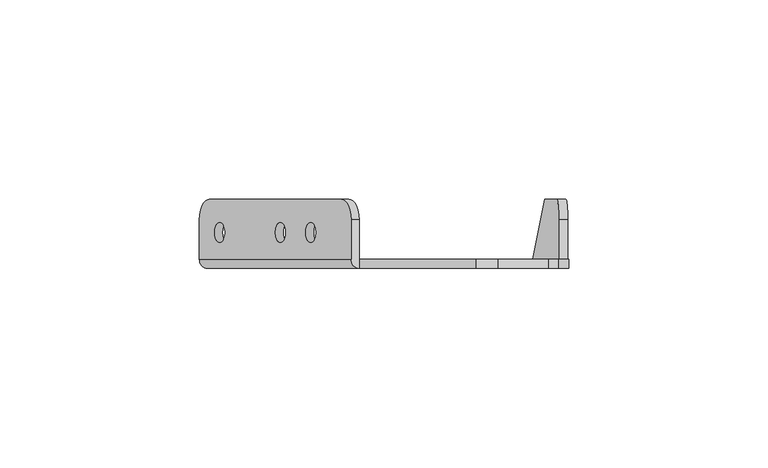
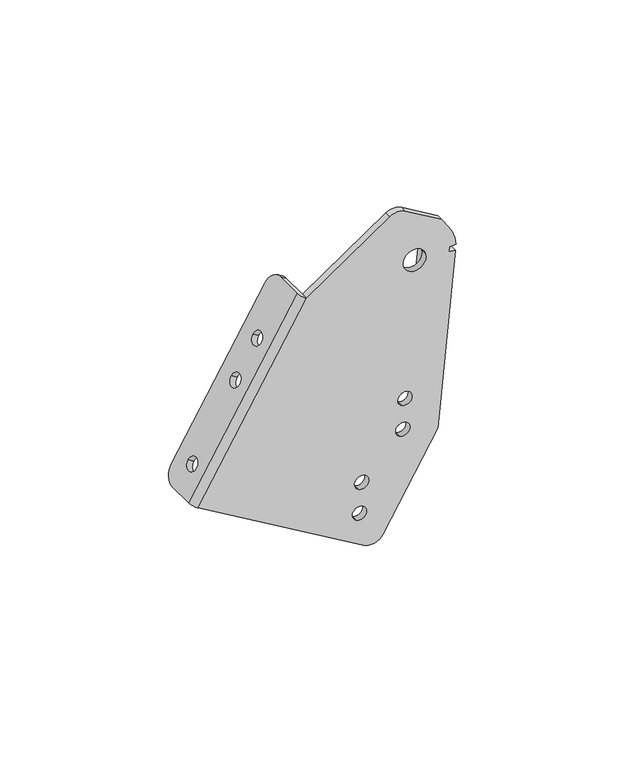
"""IFC4 building model written with IfcOpenShell, lengths in millimetres: proxy geometry."""

import ifcopenshell
import ifcopenshell.guid

model = None  # the IFC model being written
_history = None  # IfcOwnerHistory: only IFC2X3 demands one
_inside = {}  # id of a spatial element -> (the spatial element, [elements in it])
_under = {}  # id of a project, library or spatial element -> (it, [spatial elements below it])
_declared = {}  # id of a project -> (the project, [libraries it declares])
_typed = {}  # id of a type object -> (the type object, [elements of that type])
_made_of = {}  # id of a material, layer set ... -> (it, [elements and type objects made of it])


def new_model(schema):
    """Start an empty IFC model of exactly this schema.

    Asked for "IFC4X3", IfcOpenShell would pick the latest addendum, in which some entities
    have other attributes; the version numbers below select the first issue.
    IFC2X3 requires an IfcOwnerHistory on every rooted entity: one is made here for all.
    """
    global model, _history
    if schema == "IFC4X3":
        model = ifcopenshell.file(schema_version=(4, 3, 0, 0))
    else:
        model = ifcopenshell.file(schema=schema)
    _inside.clear()
    _under.clear()
    _declared.clear()
    _typed.clear()
    _made_of.clear()
    _history = None
    if model.schema == "IFC2X3":
        org = make("IfcOrganization", Name="unknown")
        user = make(
            "IfcPersonAndOrganization",
            ThePerson=make("IfcPerson", FamilyName="unknown"),
            TheOrganization=org,
        )
        app = make(
            "IfcApplication",
            ApplicationDeveloper=org,
            Version="unknown",
            ApplicationFullName="unknown",
            ApplicationIdentifier="unknown",
        )
        _history = make(
            "IfcOwnerHistory",
            OwningUser=user,
            OwningApplication=app,
            ChangeAction="ADDED",
            CreationDate=0,
        )
    return model


def make(cls, **values):
    """One entity of the class cls with the attributes given. An attribute that is None is left unset."""
    return model.create_entity(
        cls, **{name: value for name, value in values.items() if value is not None}
    )


def rooted(cls, **values):
    """An entity with a GlobalId (a new one), such as an element, a storey or a relation."""
    return make(cls, GlobalId=ifcopenshell.guid.new(), OwnerHistory=_history, **values)


def si_unit(unit_type, name, prefix=None):
    """IfcSIUnit, for example si_unit("LENGTHUNIT", "METRE", prefix="MILLI")."""
    return make("IfcSIUnit", UnitType=unit_type, Prefix=prefix, Name=name)


def assignment(units):
    """IfcUnitAssignment: the units of a project."""
    return None if units is None else make("IfcUnitAssignment", Units=units)


def point(xyz):
    """IfcCartesianPoint."""
    return None if xyz is None else make("IfcCartesianPoint", Coordinates=xyz)


def direction(xyz):
    """IfcDirection."""
    return None if xyz is None else make("IfcDirection", DirectionRatios=xyz)


def frame(location, z_axis=None, x_axis=None):
    """IfcAxis2Placement3D, a coordinate frame: its origin and axes. An axis left out is left unset."""
    return make(
        "IfcAxis2Placement3D",
        Location=point(location),
        Axis=direction(z_axis),
        RefDirection=direction(x_axis),
    )


def origin():
    """The frame at (0, 0, 0) with its axes left unset."""
    return frame((0.0, 0.0, 0.0))


def place(relative_to, where):
    """IfcLocalPlacement: puts the frame where relative to a parent placement (None: the world)."""
    return make(
        "IfcLocalPlacement", PlacementRelTo=relative_to, RelativePlacement=where
    )


def context(
    kind, dimensions, precision=None, world=None, true_north=None, identifier=None
):
    """IfcGeometricRepresentationContext, for example the 3D "Model" context."""
    return make(
        "IfcGeometricRepresentationContext",
        ContextIdentifier=identifier,
        ContextType=kind,
        CoordinateSpaceDimension=dimensions,
        Precision=precision,
        WorldCoordinateSystem=world,
        TrueNorth=true_north,
    )


def project(units=None, contexts=None):
    """IfcProject with its units and contexts."""
    return rooted(
        "IfcProject",
        Name="project",
        RepresentationContexts=contexts,
        UnitsInContext=assignment(units),
    )


def spatial(cls, under=None, at=None, **own):
    """A site, building, storey or space (cls), placed at a placement, below another one or the project."""
    s = rooted(cls, ObjectPlacement=at, **own)
    if under is not None:
        _under.setdefault(under.id(), (under, []))[1].append(s)
    return s


def polyline(points):
    """IfcPolyline through the points."""
    return make("IfcPolyline", Points=[point(p) for p in points])


def circle_curve(where, radius):
    """IfcCircle in the frame where."""
    return make("IfcCircle", Position=where, Radius=radius)


def shape(context_of_items, identifier, shape_type, items):
    """IfcShapeRepresentation: the items that make up one representation, for example the "Body"."""
    return make(
        "IfcShapeRepresentation",
        ContextOfItems=context_of_items,
        RepresentationIdentifier=identifier,
        RepresentationType=shape_type,
        Items=items,
    )


def source(mapping_origin, context_of_items, identifier, shape_type, items):
    """IfcRepresentationMap: a shape defined once, which mapped items show again and again."""
    return make(
        "IfcRepresentationMap",
        MappingOrigin=mapping_origin,
        MappedRepresentation=shape(context_of_items, identifier, shape_type, items),
    )


def transform(
    local_origin,
    x_axis=None,
    y_axis=None,
    z_axis=None,
    scale=None,
    scale2=None,
    scale3=None,
    uniform=True,
):
    """IfcCartesianTransformationOperator3D, or its non-uniform kind. x_axis, y_axis, z_axis: its Axis1, 2, 3."""
    if uniform:
        return make(
            "IfcCartesianTransformationOperator3D",
            Axis1=direction(x_axis),
            Axis2=direction(y_axis),
            LocalOrigin=point(local_origin),
            Scale=scale,
            Axis3=direction(z_axis),
        )
    return make(
        "IfcCartesianTransformationOperator3DnonUniform",
        Axis1=direction(x_axis),
        Axis2=direction(y_axis),
        LocalOrigin=point(local_origin),
        Scale=scale,
        Axis3=direction(z_axis),
        Scale2=scale2,
        Scale3=scale3,
    )


def mapped(mapping_source, mapping_target):
    """IfcMappedItem: shows the shape of a source again, moved by a transform."""
    return make(
        "IfcMappedItem", MappingSource=mapping_source, MappingTarget=mapping_target
    )


def made_of(thing, what):
    """Note that an element or type object is made of a material, layer set ...; save() writes the relation."""
    if what is not None:
        _made_of.setdefault(what.id(), (what, []))[1].append(thing)
    return thing


def element(
    cls,
    number,
    at=None,
    inside=None,
    cuts=None,
    type_object=None,
    material=None,
    context=None,
    identifier="Body",
    shape_type=None,
    held_by="IfcProductDefinitionShape",
    body=None,
    shapes=None,
    **own,
):
    """One element of the class cls, such as IfcWall. Its Tag is "e" and its number.

    at: its placement. inside: the storey or other place that contains it. cuts: it is an
    opening in that element (IfcRelVoidsElement). A single representation is given by context,
    identifier, shape_type and body (its items); several are given by shapes. held_by: the class
    of the entity that holds the representations. save() writes the other relations.
    """
    e = rooted(cls, Tag="e%d" % number, ObjectPlacement=at, **own)
    if body is not None:
        shapes = [shape(context, identifier, shape_type, body)]
    if shapes is not None:
        e.Representation = make(held_by, Representations=shapes)
    if inside is not None:
        _inside.setdefault(inside.id(), (inside, []))[1].append(e)
    if cuts is not None:
        rooted(
            "IfcRelVoidsElement", RelatingBuildingElement=cuts, RelatedOpeningElement=e
        )
    if type_object is not None:
        _typed.setdefault(type_object.id(), (type_object, []))[1].append(e)
    return made_of(e, material)


def aggregate(whole, parts):
    """IfcRelAggregates: a whole, such as a stair, and the parts it consists of."""
    return rooted("IfcRelAggregates", RelatingObject=whole, RelatedObjects=parts)


def save(model, path):
    """Write the relations noted so far, then the file.

    IfcRelAggregates (storeys below a building ...), IfcRelContainedInSpatialStructure (elements
    in a storey), IfcRelDefinesByType, IfcRelAssociatesMaterial and IfcRelDeclares: one each for
    every whole, place, type object, material and project.
    """
    for whole, parts in _under.values():
        aggregate(whole, parts)
    for where, things in _inside.values():
        rooted(
            "IfcRelContainedInSpatialStructure",
            RelatedElements=things,
            RelatingStructure=where,
        )
    for kind, things in _typed.values():
        rooted("IfcRelDefinesByType", RelatedObjects=things, RelatingType=kind)
    for what, things in _made_of.values():
        rooted("IfcRelAssociatesMaterial", RelatedObjects=things, RelatingMaterial=what)
    for by, libraries in _declared.values():
        rooted("IfcRelDeclares", RelatingContext=by, RelatedDefinitions=libraries)
    model.write(path)


def plane_surface(at):
    """IfcPlane: the flat surface through the origin of the frame at, square to its z axis."""
    return make("IfcPlane", Position=at)


def cylinder_surface(at, radius):
    """IfcCylindricalSurface: all points at the distance radius from the z axis of the frame at."""
    return make("IfcCylindricalSurface", Position=at, Radius=radius)


def revolved_surface(curve, axis_point, axis_direction):
    """IfcSurfaceOfRevolution: the curve turned about the line through axis_point along axis_direction."""
    return make(
        "IfcSurfaceOfRevolution",
        SweptCurve=make("IfcArbitraryOpenProfileDef", ProfileType="CURVE", Curve=curve),
        AxisPosition=make("IfcAxis1Placement", Location=point(axis_point), Axis=direction(axis_direction)),
    )


def advanced_brep(points, edges, surfaces, faces):
    """IfcAdvancedBrep: a solid bounded by faces that lie on surfaces and meet in shared edges.

    An edge is (start, end): straight between two places in points (the first is 0);
    or (start, end, curve); or (start, end, curve, False) where it runs against its curve.
    A face is (place in surfaces, loops), or (place, loops, False) where it looks against
    its surface's normal. A loop lists edges by number (the first is 1), with a minus sign
    where the edge is run from its end to its start. The first loop is the outer one.
    """
    corners = [point(p) for p in points]
    vertices = [make("IfcVertexPoint", VertexGeometry=c) for c in corners]
    made = []
    for start, end, *more in edges:
        made.append(
            make(
                "IfcEdgeCurve",
                EdgeStart=vertices[start],
                EdgeEnd=vertices[end],
                EdgeGeometry=more[0] if more else make("IfcPolyline", Points=[corners[start], corners[end]]),
                SameSense=more[1] if len(more) > 1 else True,
            )
        )
    hull = []
    for where, loops, *sense in faces:
        bounds = []
        for j, loop in enumerate(loops):
            ring = [make("IfcOrientedEdge", EdgeElement=made[abs(k) - 1], Orientation=k > 0) for k in loop]
            bounds.append(
                make(
                    "IfcFaceOuterBound" if j == 0 else "IfcFaceBound",
                    Bound=make("IfcEdgeLoop", EdgeList=ring),
                    Orientation=True,
                )
            )
        hull.append(make("IfcAdvancedFace", Bounds=bounds, FaceSurface=surfaces[where], SameSense=sense[0] if sense else True))
    return make("IfcAdvancedBrep", Outer=make("IfcClosedShell", CfsFaces=hull))


def mechanical_equipment_632ace2b(model_context):
    return source(origin(), model_context, "Body", "AdvancedBrep", [
        advanced_brep(
        [(-98.7690922, 11.2499985, -87.8597734), (-96.2314004, 16.2499985, -83.5516276), (-63.2414068, 16.2499985, -27.5457322), (-60.703715, 11.2499985, -23.2375864), (-60.703715, 1.2499985, -23.2375864), (-98.7690922, 1.2499985, -87.8597734), (-93.6937086, 10.4499985, -79.2434818), (-93.6937086, 5.4499985, -79.2434818), (-78.4675577, 10.4499985, -53.394607), (-78.4675577, 5.4499985, -53.394607), (-70.8544822, 10.4499985, -40.4701696), (-70.8544822, 5.4499985, -40.4701696), (-62.685462, 11.2499985, -22.0702482), (-65.2231539, 16.2499985, -26.378394), (-98.2131474, 16.2499985, -82.3842894), (-100.7508393, 11.2499985, -86.6924352), (-100.7508393, 1.2499985, -86.6924352), (-62.685462, 1.2499985, -22.0702482), (-95.6754556, 10.4499985, -78.0761436), (-95.6754556, 5.4499985, -78.0761436), (-80.4493047, 10.4499985, -52.2272688), (-80.4493047, 5.4499985, -52.2272688), (-72.8362293, 10.4499985, -39.3028314), (-72.8362293, 5.4499985, -39.3028314), (-25.9783996, -1.0500015, -3.0716368), (-31.3292488, -1.0500015, -3.2462435), (-60.703715, -1.0500015, -23.2375864), (-98.7690922, -1.0500015, -87.8597734), (-40.6091239, -1.0500015, -122.1186129), (-33.7632862, -1.0500015, -120.348159), (-14.4916481, -1.0500015, -87.6314096), (-8.3483197, -1.0500015, -23.8305045), (-10.6377309, -1.0500015, -23.6100593), (-10.4642533, -1.0500015, -21.8084248), (-8.1416624, -1.0500015, -21.6842866), (-10.6711658, -1.0500015, -14.24529), (-13.1620354, -1.0500015, -10.6210522), (-18.748405, -1.0500015, -21.4566604), (-26.4935861, -1.0500015, -23.4597005), (-43.2648048, -1.0500015, -111.8498565), (-40.727113, -1.0500015, -107.5417107), (-42.497567, -1.0500015, -100.6958731), (-39.9598752, -1.0500015, -96.3877273), (-28.038654, -1.0500015, -86.0009817), (-25.5009621, -1.0500015, -81.6928359), (-27.2714161, -1.0500015, -74.8469983), (-24.7337243, -1.0500015, -70.5388525), (-40.6091239, 1.2499985, -122.1186129), (-25.9783996, 1.2499985, -3.0716368), (-13.1620354, 1.2499985, -10.6210522), (-10.6711658, 1.2499985, -14.24529), (-8.1416624, 1.2499985, -21.6842866), (-10.4642533, 1.2499985, -21.8084248), (-10.6377309, 1.2499985, -23.6100593), (-17.2017349, 1.2499985, -91.7798465), (-17.2538057, 1.2499985, -92.3206227), (-33.7632862, 1.2499985, -120.348159), (-31.3292488, 1.2499985, -3.2462435), (-18.748405, 1.2499985, -21.4566604), (-26.4935861, 1.2499985, -23.4597005), (-43.2648048, 1.2499985, -111.8498565), (-40.727113, 1.2499985, -107.5417107), (-42.497567, 1.2499985, -100.6958731), (-39.9598752, 1.2499985, -96.3877273), (-28.038654, 1.2499985, -86.0009817), (-25.5009621, 1.2499985, -81.6928359), (-27.2714161, 1.2499985, -74.8469983), (-24.7337243, 1.2499985, -70.5388525), (-17.2538057, 0.9966641, -92.3206227), (-14.4916481, 3.2966641, -87.6314096), (-11.8291954, 16.2499985, -59.9807812), (-8.8275484, 16.2499985, -28.8074855), (-8.3483197, 11.2499985, -23.8305045), (-10.6377309, 11.2499985, -23.6100593), (-11.1169597, 16.2499985, -28.5870403), (-14.1186067, 16.2499985, -59.7603359)],
        [
            (0, 1, circle_curve(frame((-96.2314004, 11.2499985, -83.5516276), z_axis=(0.8616291604415253, 0.0, -0.5075383629607052), x_axis=(0.0, -1.0, 0.0)), 5.0)),
            (1, 2),
            (2, 3, circle_curve(frame((-63.2414068, 11.2499985, -27.5457322), z_axis=(0.8616291604415253, 0.0, -0.5075383629607052), x_axis=(0.0, -1.0, 0.0)), 5.0)),
            (3, 4),
            (4, 5),
            (5, 0),
            (6, 7, circle_curve(frame((-93.6937086, 7.9499985, -79.2434818), z_axis=(-0.8616291604415253, 0.0, 0.5075383629607052), x_axis=(0.0, -1.0, 0.0)), 2.5)),
            (7, 6, circle_curve(frame((-93.6937086, 7.9499985, -79.2434818), z_axis=(-0.8616291604415253, 0.0, 0.5075383629607052), x_axis=(0.0, -1.0, 0.0)), 2.5)),
            (8, 9, circle_curve(frame((-78.4675577, 7.9499985, -53.394607), z_axis=(-0.8616291604415253, 0.0, 0.5075383629607052), x_axis=(0.0, -1.0, 0.0)), 2.5)),
            (9, 8, circle_curve(frame((-78.4675577, 7.9499985, -53.394607), z_axis=(-0.8616291604415253, 0.0, 0.5075383629607052), x_axis=(0.0, -1.0, 0.0)), 2.5)),
            (10, 11, circle_curve(frame((-70.8544822, 7.9499985, -40.4701696), z_axis=(-0.8616291604415253, 0.0, 0.5075383629607052), x_axis=(0.0, -1.0, 0.0)), 2.5)),
            (11, 10, circle_curve(frame((-70.8544822, 7.9499985, -40.4701696), z_axis=(-0.8616291604415253, 0.0, 0.5075383629607052), x_axis=(0.0, -1.0, 0.0)), 2.5)),
            (12, 13, circle_curve(frame((-65.2231539, 11.2499985, -26.378394), z_axis=(-0.8616291604415253, 0.0, 0.5075383629607052), x_axis=(0.0, -1.0, 0.0)), 5.0)),
            (13, 14),
            (14, 15, circle_curve(frame((-98.2131474, 11.2499985, -82.3842894), z_axis=(-0.8616291604415253, 0.0, 0.5075383629607052), x_axis=(0.0, -1.0, 0.0)), 5.0)),
            (15, 16),
            (16, 17),
            (17, 12),
            (18, 19, circle_curve(frame((-95.6754556, 7.9499985, -78.0761436), z_axis=(0.8616291604415253, 0.0, -0.5075383629607052), x_axis=(0.0, -1.0, 0.0)), 2.5)),
            (19, 18, circle_curve(frame((-95.6754556, 7.9499985, -78.0761436), z_axis=(0.8616291604415253, 0.0, -0.5075383629607052), x_axis=(0.0, -1.0, 0.0)), 2.5)),
            (20, 21, circle_curve(frame((-80.4493047, 7.9499985, -52.2272688), z_axis=(0.8616291604415253, 0.0, -0.5075383629607052), x_axis=(0.0, -1.0, 0.0)), 2.5)),
            (21, 20, circle_curve(frame((-80.4493047, 7.9499985, -52.2272688), z_axis=(0.8616291604415253, 0.0, -0.5075383629607052), x_axis=(0.0, -1.0, 0.0)), 2.5)),
            (22, 23, circle_curve(frame((-72.8362293, 7.9499985, -39.3028314), z_axis=(0.8616291604415253, 0.0, -0.5075383629607052), x_axis=(0.0, -1.0, 0.0)), 2.5)),
            (23, 22, circle_curve(frame((-72.8362293, 7.9499985, -39.3028314), z_axis=(0.8616291604415253, 0.0, -0.5075383629607052), x_axis=(0.0, -1.0, 0.0)), 2.5)),
            (24, 25, circle_curve(frame((-28.5160914, -1.0500015, -7.3797826), z_axis=(0.0, -1.0, 0.0), x_axis=(0.5075383629607069, 0.0, 0.8616291604415243)), 5.0)),
            (25, 26),
            (26, 27),
            (27, 28),
            (28, 29, circle_curve(frame((-38.0714321, -1.0500015, -117.8104671), z_axis=(0.0, -1.0, 0.0), x_axis=(0.5075383629607069, 0.0, 0.8616291604415243)), 5.0)),
            (29, 30),
            (30, 31),
            (31, 32),
            (32, 33),
            (33, 34),
            (34, 35, circle_curve(frame((-22.6209955, -1.0500015, -22.4581804), z_axis=(0.0, -1.0, 0.0), x_axis=(0.9681476403781087, 0.0, 0.2503800040544382)), 14.5)),
            (35, 36),
            (36, 24),
            (37, 38, circle_curve(frame((-22.6209955, -1.0500015, -22.4581804), z_axis=(0.0, 1.0, 0.0), x_axis=(0.9681476403781087, 0.0, 0.2503800040544382)), 4.0)),
            (38, 37, circle_curve(frame((-22.6209955, -1.0500015, -22.4581804), z_axis=(0.0, 1.0, 0.0), x_axis=(0.9681476403781087, 0.0, 0.2503800040544382)), 4.0)),
            (39, 40, circle_curve(frame((-41.9959589, -1.0500015, -109.6957836), z_axis=(0.0, 1.0, 0.0), x_axis=(0.5075383629607069, 0.0, 0.8616291604415243)), 2.5)),
            (40, 39, circle_curve(frame((-41.9959589, -1.0500015, -109.6957836), z_axis=(0.0, 1.0, 0.0), x_axis=(0.5075383629607069, 0.0, 0.8616291604415243)), 2.5)),
            (41, 42, circle_curve(frame((-41.2287211, -1.0500015, -98.5418002), z_axis=(0.0, 1.0, 0.0), x_axis=(0.5075383629607069, 0.0, 0.8616291604415243)), 2.5)),
            (42, 41, circle_curve(frame((-41.2287211, -1.0500015, -98.5418002), z_axis=(0.0, 1.0, 0.0), x_axis=(0.5075383629607069, 0.0, 0.8616291604415243)), 2.5)),
            (43, 44, circle_curve(frame((-26.7698081, -1.0500015, -83.8469088), z_axis=(0.0, 1.0, 0.0), x_axis=(0.5075383629607069, 0.0, 0.8616291604415243)), 2.5)),
            (44, 43, circle_curve(frame((-26.7698081, -1.0500015, -83.8469088), z_axis=(0.0, 1.0, 0.0), x_axis=(0.5075383629607069, 0.0, 0.8616291604415243)), 2.5)),
            (45, 46, circle_curve(frame((-26.0025702, -1.0500015, -72.6929254), z_axis=(0.0, 1.0, 0.0), x_axis=(0.5075383629607069, 0.0, 0.8616291604415243)), 2.5)),
            (46, 45, circle_curve(frame((-26.0025702, -1.0500015, -72.6929254), z_axis=(0.0, 1.0, 0.0), x_axis=(0.5075383629607069, 0.0, 0.8616291604415243)), 2.5)),
            (15, 0),
            (5, 47),
            (47, 28),
            (27, 16, circle_curve(frame((-98.7690922, 1.2499985, -87.8597734), z_axis=(-0.5075383629607052, 0.0, -0.8616291604415253), x_axis=(0.8616291604415253, 0.0, -0.5075383629607052)), 2.3)),
            (14, 1),
            (13, 2),
            (12, 3),
            (17, 26, circle_curve(frame((-60.703715, 1.2499985, -23.2375864), z_axis=(0.5075383629607052, 0.0, 0.8616291604415253), x_axis=(0.8616291604415253, 0.0, -0.5075383629607052)), 2.3)),
            (26, 4),
            (6, 18),
            (19, 7),
            (8, 20),
            (21, 9),
            (10, 22),
            (23, 11),
            (48, 49),
            (49, 50),
            (50, 51, circle_curve(frame((-22.6209955, 1.2499985, -22.4581804), z_axis=(0.0, 1.0, 0.0), x_axis=(0.9681476403781087, 0.0, 0.2503800040544382)), 14.5)),
            (51, 52),
            (52, 53),
            (53, 54),
            (54, 55),
            (55, 56),
            (56, 47, circle_curve(frame((-38.0714321, 1.2499985, -117.8104671), z_axis=(0.0, 1.0, 0.0), x_axis=(0.5075383629607069, 0.0, 0.8616291604415243)), 5.0)),
            (4, 57),
            (57, 48, circle_curve(frame((-28.5160914, 1.2499985, -7.3797826), z_axis=(0.0, 1.0, 0.0), x_axis=(0.5075383629607069, 0.0, 0.8616291604415243)), 5.0)),
            (58, 59, circle_curve(frame((-22.6209955, 1.2499985, -22.4581804), z_axis=(0.0, -1.0, 0.0), x_axis=(0.9681476403781087, 0.0, 0.2503800040544382)), 4.0)),
            (59, 58, circle_curve(frame((-22.6209955, 1.2499985, -22.4581804), z_axis=(0.0, -1.0, 0.0), x_axis=(0.9681476403781087, 0.0, 0.2503800040544382)), 4.0)),
            (60, 61, circle_curve(frame((-41.9959589, 1.2499985, -109.6957836), z_axis=(0.0, -1.0, 0.0), x_axis=(0.5075383629607069, 0.0, 0.8616291604415243)), 2.5)),
            (61, 60, circle_curve(frame((-41.9959589, 1.2499985, -109.6957836), z_axis=(0.0, -1.0, 0.0), x_axis=(0.5075383629607069, 0.0, 0.8616291604415243)), 2.5)),
            (62, 63, circle_curve(frame((-41.2287211, 1.2499985, -98.5418002), z_axis=(0.0, -1.0, 0.0), x_axis=(0.5075383629607069, 0.0, 0.8616291604415243)), 2.5)),
            (63, 62, circle_curve(frame((-41.2287211, 1.2499985, -98.5418002), z_axis=(0.0, -1.0, 0.0), x_axis=(0.5075383629607069, 0.0, 0.8616291604415243)), 2.5)),
            (64, 65, circle_curve(frame((-26.7698081, 1.2499985, -83.8469088), z_axis=(0.0, -1.0, 0.0), x_axis=(0.5075383629607069, 0.0, 0.8616291604415243)), 2.5)),
            (65, 64, circle_curve(frame((-26.7698081, 1.2499985, -83.8469088), z_axis=(0.0, -1.0, 0.0), x_axis=(0.5075383629607069, 0.0, 0.8616291604415243)), 2.5)),
            (66, 67, circle_curve(frame((-26.0025702, 1.2499985, -72.6929254), z_axis=(0.0, -1.0, 0.0), x_axis=(0.5075383629607069, 0.0, 0.8616291604415243)), 2.5)),
            (67, 66, circle_curve(frame((-26.0025702, 1.2499985, -72.6929254), z_axis=(0.0, -1.0, 0.0), x_axis=(0.5075383629607069, 0.0, 0.8616291604415243)), 2.5)),
            (37, 58),
            (59, 38),
            (24, 48),
            (57, 25),
            (56, 29),
            (55, 68),
            (68, 69),
            (69, 30),
            (33, 52),
            (51, 34),
            (50, 35),
            (49, 36),
            (39, 60),
            (61, 40),
            (41, 62),
            (63, 42),
            (43, 64),
            (65, 44),
            (45, 66),
            (67, 46),
            (54, 68),
            (32, 53),
            (70, 71),
            (71, 72, circle_curve(frame((-8.8275484, 11.2499985, -28.8074855), z_axis=(0.9953961983671789, 0.0, -0.0958457525202237), x_axis=(-0.04050616532545839, 0.9063077870360066, -0.420672611098611)), 5.0)),
            (72, 31),
            (69, 70),
            (73, 74, circle_curve(frame((-11.1169597, 11.2499985, -28.5870403), z_axis=(-0.9953961983671789, 0.0, 0.0958457525202237), x_axis=(-0.04050616532545839, 0.9063077870360066, -0.420672611098611)), 5.0)),
            (74, 75),
            (75, 54),
            (53, 73),
            (75, 70),
            (74, 71),
            (73, 72),
        ],
        [
            plane_surface(frame((-42.9398723, -1.0500015, 6.9194342), z_axis=(0.8616291604415253, 0.0, -0.5075383629607052), x_axis=(-0.5075383629607052, 0.0, -0.8616291604415253))),
            plane_surface(frame((-44.9216193, -1.0500015, 8.0867724), z_axis=(-0.8616291604415253, 0.0, 0.5075383629607052), x_axis=(0.5075383629607052, 0.0, 0.8616291604415253))),
            plane_surface(frame((-60.703715, -1.0500015, -23.2375864), z_axis=(0.0, -1.0000000000000002, 0.0), x_axis=(-0.8616291604415253, 0.0, 0.5075383629607052))),
            plane_surface(frame((-98.7690922, -1.0500015, -87.8597734), z_axis=(-0.5075383629607052, 0.0, -0.8616291604415253), x_axis=(-0.8616291604415253, 0.0, 0.5075383629607052))),
            cylinder_surface(frame((-98.2131474, 11.2499985, -82.3842894), z_axis=(0.8616291604415253, 0.0, -0.5075383629607052), x_axis=(0.0, -1.0, 0.0)), 5.0),
            plane_surface(frame((-96.2314004, 16.2499985, -83.5516276), z_axis=(0.0, 1.0000000000000002, 0.0), x_axis=(-0.8616291604415253, 0.0, 0.5075383629607052))),
            cylinder_surface(frame((-65.2231539, 11.2499985, -26.378394), z_axis=(0.8616291604415253, 0.0, -0.5075383629607052), x_axis=(0.0, -1.0, 0.0)), 5.0),
            plane_surface(frame((-60.703715, 11.2499985, -23.2375864), z_axis=(0.5075383629607052, 0.0, 0.8616291604415253), x_axis=(-0.8616291604415253, 0.0, 0.5075383629607052))),
            revolved_surface(polyline([(-95.67545560790361, 5.4499985, -78.07614361341766), (-93.69370860534814, 5.4499985, -79.24348180907933)]), (-65.6907609, 7.9499985, -95.7384786), (-0.8616291604415253, 0.0, 0.5075383629607052)),
            revolved_surface(polyline([(-80.44930470790362, 5.4499985, -52.227268813417666), (-78.46755770534814, 5.4499985, -53.39460700907934)]), (-50.46461, 7.9499985, -69.8896038), (-0.8616291604415253, 0.0, 0.5075383629607052)),
            revolved_surface(polyline([(-72.83622928214409, 5.4499985, -39.30283136968667), (-70.85448220534815, 5.4499985, -40.47016960907933)]), (-42.8515345, 7.9499985, -56.9651664), (-0.8616291604415253, 0.0, 0.5075383629607052)),
            plane_surface(frame((-18.748405, 1.2499985, -21.4566604), z_axis=(0.0, 1.0, 0.0), x_axis=(-0.2503800040544381, 0.0, 0.9681476403781086))),
            revolved_surface(polyline([(-18.748404938487564, 1.2499985, -21.456660383782246), (-18.748404938487564, -1.0500014999999998, -21.456660383782246)]), (-22.6209955, 1.2499985, -22.4581804), (0.0, 1.0, 0.0)),
            cylinder_surface(frame((-28.5160914, 1.2499985, -7.3797826), z_axis=(0.0, -1.0, 0.0), x_axis=(0.5075383629607069, 0.0, 0.8616291604415243)), 5.0),
            cylinder_surface(frame((-38.0714321, 1.2499985, -117.8104671), z_axis=(0.0, -1.0, 0.0), x_axis=(0.5075383629607069, 0.0, 0.8616291604415243)), 5.0),
            plane_surface(frame((-33.7632862, -1.0500015, -120.348159), z_axis=(0.8616291604415172, 0.0, -0.5075383629607189), x_axis=(0.0, 1.0, 0.0))),
            plane_surface(frame((-10.4642533, -1.0500015, -21.8084248), z_axis=(0.05337199159679273, 0.0, -0.9985746995157608), x_axis=(0.0, 1.0, 0.0))),
            cylinder_surface(frame((-22.6209955, 1.2499985, -22.4581804), z_axis=(0.0, -1.0, 0.0), x_axis=(0.9681476403781087, 0.0, 0.2503800040544382)), 14.5),
            plane_surface(frame((-10.6711658, -1.0500015, -14.24529), z_axis=(0.8241261886220852, 0.0, 0.5664062369247319), x_axis=(0.0, 1.0, 0.0))),
            plane_surface(frame((-13.1620354, -1.0500015, -10.6210522), z_axis=(0.5075383629607028, 0.0, 0.8616291604415267), x_axis=(0.0, 1.0, 0.0))),
            revolved_surface(polyline([(-40.72711299259823, 1.2499985, -107.54171069889618), (-40.72711299259823, -1.0500014999999998, -107.54171069889618)]), (-41.9959589, 1.2499985, -109.6957836), (0.0, 1.0, 0.0)),
            revolved_surface(polyline([(-39.95987519259823, 1.2499985, -96.38772729889618), (-39.95987519259823, -1.0500014999999998, -96.38772729889618)]), (-41.2287211, 1.2499985, -98.5418002), (0.0, 1.0, 0.0)),
            revolved_surface(polyline([(-25.50096219259823, 1.2499985, -81.69283589889618), (-25.50096219259823, -1.0500014999999998, -81.69283589889618)]), (-26.7698081, 1.2499985, -83.8469088), (0.0, 1.0, 0.0)),
            revolved_surface(polyline([(-24.733724292598232, 1.2499985, -70.53885249889618), (-24.733724292598232, -1.0500014999999998, -70.53885249889618)]), (-26.0025702, 1.2499985, -72.6929254), (0.0, 1.0, 0.0)),
            plane_surface(frame((-17.2538057, -1.0500015, -92.3206227), z_axis=(0.9953961983671789, 0.0, -0.09584575252022381), x_axis=(0.0, 1.0, 0.0))),
            plane_surface(frame((-31.3292488, -1.0500015, -3.2462435), z_axis=(-0.5626314826832157, 0.0, 0.8267078170028915), x_axis=(0.0, 1.0, 0.0))),
            plane_surface(frame((-14.9123236, -1.0500015, -92.0002917), z_axis=(0.995396198367179, 0.0, -0.09584575252022365), x_axis=(-0.09584575252022365, 0.0, -0.995396198367179))),
            plane_surface(frame((-17.2017349, -1.0500015, -91.7798465), z_axis=(-0.995396198367179, 0.0, 0.09584575252022365), x_axis=(0.09584575252022365, 0.0, 0.995396198367179))),
            plane_surface(frame((-15.3850699, -1.0500015, -96.90995), z_axis=(-0.040506165325457894, 0.9063077870360068, -0.42067261109861115), x_axis=(-0.9953961983671791, 0.0, 0.09584575252022237))),
            plane_surface(frame((-11.8291954, 16.2499985, -59.9807812), z_axis=(0.0, 1.0000000000000002, 0.0), x_axis=(-0.9953961983671789, 0.0, 0.09584575252022481))),
            cylinder_surface(frame((-11.1169597, 11.2499985, -28.5870403), z_axis=(0.9953961983671789, 0.0, -0.0958457525202237), x_axis=(-0.04050616532545839, 0.9063077870360066, -0.420672611098611)), 5.0),
            plane_surface(frame((-8.3483197, 11.2499985, -23.8305045), z_axis=(0.09584575252022237, 1.4450666034502738e-12, 0.9953961983671791), x_axis=(-0.9953961983671791, 0.0, 0.09584575252022237))),
            cylinder_surface(frame((-60.703715, 1.2499985, -23.2375864), z_axis=(-0.5075383629607052, 0.0, -0.8616291604415253), x_axis=(0.8616291604415253, 0.0, -0.5075383629607052)), 2.3),
        ],
        [
            (0, [[1, 2, 3, 4, 5, 6], [7, 8], [9, 10], [11, 12]]),
            (1, [[13, 14, 15, 16, 17, 18], [19, 20], [21, 22], [23, 24]]),
            (2, [[25, 26, 27, 28, 29, 30, 31, 32, 33, 34, 35, 36, 37], [38, 39], [40, 41], [42, 43], [44, 45], [46, 47]]),
            (3, [[48, -6, 49, 50, -28, 51, -16]]),
            (4, [[-1, -48, -15, 52]]),
            (5, [[-2, -52, -14, 53]]),
            (6, [[-3, -53, -13, 54]]),
            (7, [[-54, -18, 55, 56, -4]]),
            (8, [[-7, 57, -20, 58]]),
            (8, [[-8, -58, -19, -57]]),
            (9, [[-9, 59, -22, 60]]),
            (9, [[-10, -60, -21, -59]]),
            (10, [[-11, 61, -24, 62]]),
            (10, [[-12, -62, -23, -61]]),
            (11, [[63, 64, 65, 66, 67, 68, 69, 70, 71, -49, -5, 72, 73], [74, 75], [76, 77], [78, 79], [80, 81], [82, 83]]),
            (12, [[-38, 84, -75, 85]]),
            (12, [[-39, -85, -74, -84]]),
            (13, [[-25, 86, -73, 87]]),
            (14, [[-29, -50, -71, 88]]),
            (15, [[-30, -88, -70, 89, 90, 91]]),
            (16, [[-34, 92, -66, 93]]),
            (17, [[-35, -93, -65, 94]]),
            (18, [[-36, -94, -64, 95]]),
            (19, [[-37, -95, -63, -86]]),
            (20, [[-40, 96, -77, 97]]),
            (20, [[-41, -97, -76, -96]]),
            (21, [[-42, 98, -79, 99]]),
            (21, [[-43, -99, -78, -98]]),
            (22, [[-44, 100, -81, 101]]),
            (22, [[-45, -101, -80, -100]]),
            (23, [[-46, 102, -83, 103]]),
            (23, [[-47, -103, -82, -102]]),
            (24, [[-69, 104, -89]]),
            (24, [[-92, -33, 105, -67]]),
            (25, [[-26, -87, -72, -56]]),
            (26, [[106, 107, 108, -31, -91, 109]]),
            (27, [[110, 111, 112, -68, 113]]),
            (28, [[114, -109, -90, -104, -112]]),
            (29, [[-106, -114, -111, 115]]),
            (30, [[-107, -115, -110, 116]]),
            (31, [[-108, -116, -113, -105, -32]]),
            (32, [[-17, -51, -27, -55]]),
        ],
    ),
    ])


if __name__ == "__main__":
    model = new_model("IFC4")
    model_context = context("Model", 3, world=origin())
    ifc_project = project(units=[si_unit("LENGTHUNIT", "METRE", prefix="MILLI")], contexts=[model_context])
    site = spatial("IfcSite", under=ifc_project)
    building = spatial("IfcBuilding", under=site)
    placement = place(None, origin())
    mechanical_equipment_shape = mechanical_equipment_632ace2b(model_context)
    element("IfcBuildingElementProxy", 1, Name="Mechanical Equipment", at=placement, inside=building, context=model_context, shape_type="MappedRepresentation", body=[
        mapped(mechanical_equipment_shape, transform((0.0, 0.0, 0.0), x_axis=(1.0, 0.0, 0.0), y_axis=(0.0, 1.0, 0.0), z_axis=(0.0, 0.0, 1.0))),
    ])
    save(model, "model.ifc")
